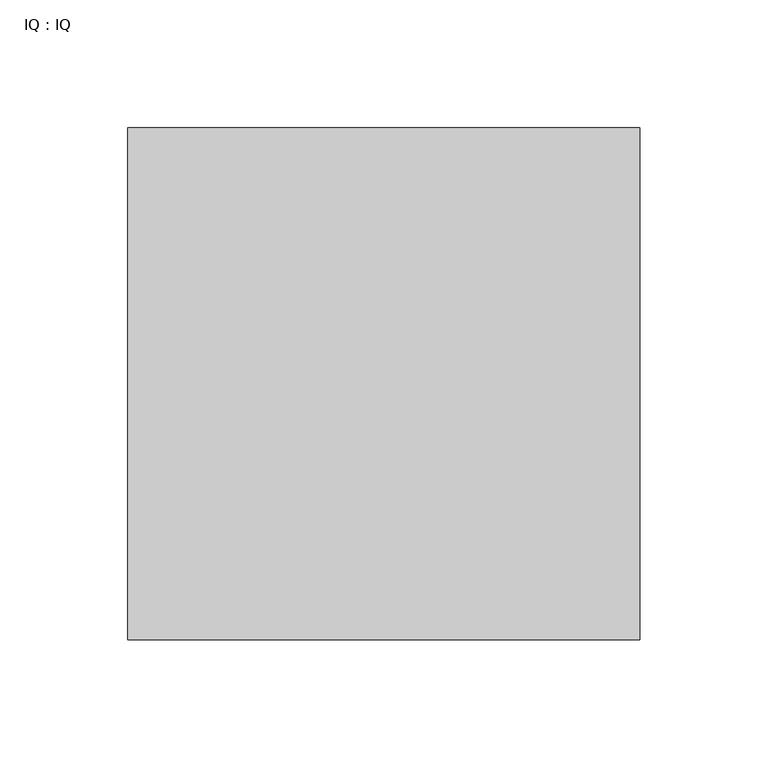
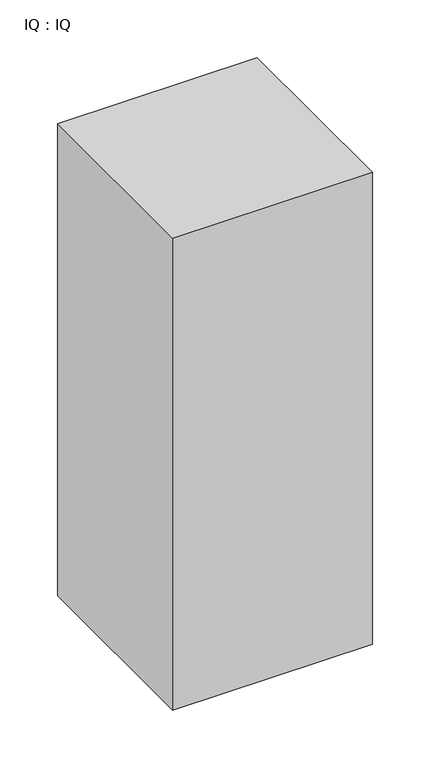
"""IFC4 building model written with IfcOpenShell, lengths in millimetres: proxy geometry, IQ : IQ."""

from ifc_helpers import new_model, si_unit, frame, origin, place, context, project, spatial, polyline, outline, extrude, source, transform, mapped, element, save


def iq_iq_3dd41282(model_context):
    return source(origin(), model_context, "Body", "SweptSolid", [
        extrude(outline(polyline([(200.0, 200.0), (200.0, 0.0), (0.0, 0.0), (0.0, 200.0), (200.0, 200.0)])), frame((0.0, 0.0, 100.0), z_axis=(0.0, 0.0, 1.0), x_axis=(1.0, 0.0, 0.0)), (0.0, 0.0, 1.0), 500.0),
    ])


if __name__ == "__main__":
    model = new_model("IFC4")
    model_context = context("Model", 3, world=origin())
    ifc_project = project(units=[si_unit("LENGTHUNIT", "METRE", prefix="MILLI")], contexts=[model_context])
    site = spatial("IfcSite", under=ifc_project)
    building = spatial("IfcBuilding", under=site)
    placement = place(None, origin())
    iq_iq_shape = iq_iq_3dd41282(model_context)
    element("IfcBuildingElementProxy", 1, Name="IQ : IQ", ObjectType="IQ : IQ", at=placement, inside=building, context=model_context, shape_type="MappedRepresentation", body=[
        mapped(iq_iq_shape, transform((0.0, 0.0, 0.0), x_axis=(1.0, 0.0, 0.0), y_axis=(0.0, 1.0, 0.0), z_axis=(0.0, 0.0, 1.0))),
    ])
    save(model, "model.ifc")
